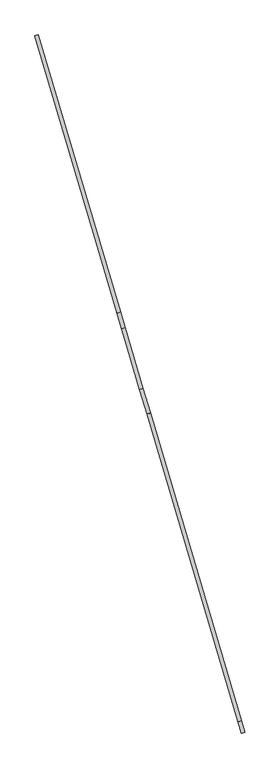
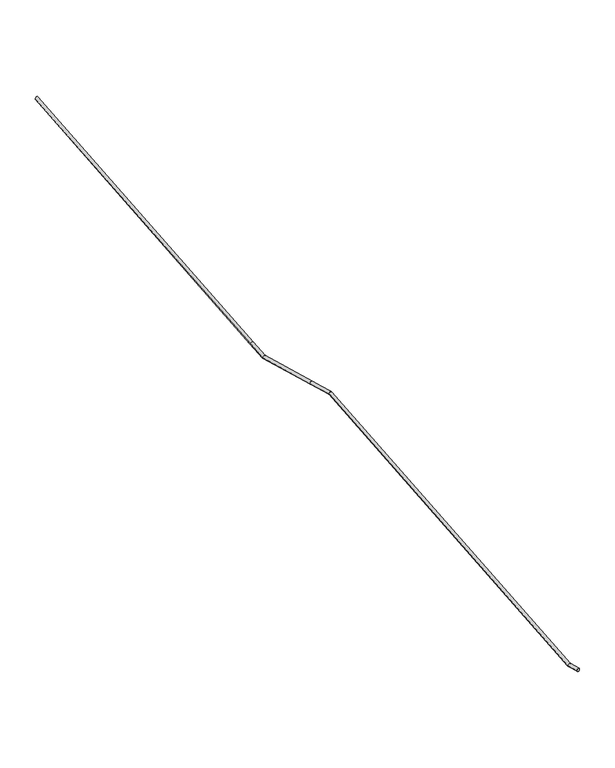
"""IFC4 building model written with IfcOpenShell, lengths in millimetres: railing geometry."""

from ifc_helpers import new_model, si_unit, frame, origin, place, context, project, spatial, circle_curve, ellipse_curve, source, transform, mapped, element, save
from ifc_brep_helpers import plane_surface, cylinder_surface, advanced_brep


def railing_02b645d8(model_context):
    return source(origin(), model_context, "Body", "AdvancedBrep", [
        advanced_brep(
        [(74499.9004952, -26385.1010607, -5374.75), (74461.5561191, -26396.4900387, -5374.75), (74460.9538852, -26253.975734, -5374.75), (74422.609509, -26265.364712, -5374.75), (73435.93266, -22802.9374287, -3480.625), (73397.5882839, -22814.3264068, -3480.625), (73355.3082048, -22531.491261, -3480.625), (73316.9638286, -22542.880239, -3480.625), (73151.2045419, -21844.3156773, -3480.625), (73112.8601658, -21855.7046553, -3480.625), (73099.0561994, -21668.7427983, -3384.2606743), (73060.7118233, -21680.1317764, -3384.2606743), (72176.5489803, -18562.8483329, -1679.5701336), (72138.2046042, -18574.2373109, -1679.5701336)],
        [
            (0, 1, circle_curve(frame((74480.7283071, -26390.7955497, -5374.75), z_axis=(0.28472445035473004, -0.9586094029218558, 0.0), x_axis=(-0.9586094029218558, -0.28472445035473004, 0.0)), 20.0)),
            (1, 0, circle_curve(frame((74480.7283071, -26390.7955497, -5374.75), z_axis=(0.28472445035473004, -0.9586094029218558, 0.0), x_axis=(-0.9586094029218558, -0.28472445035473004, 0.0)), 20.0)),
            (0, 2),
            (2, 3, ellipse_curve(frame((74441.7816971, -26259.670223, -5374.75), z_axis=(0.2764161712115046, -0.9306371142796906, -0.2398096366244323), x_axis=(0.06827966697762453, -0.22988377257946416, 0.9708199308739278)), 20.6011428, 20.0)),
            (3, 1),
            (3, 2, ellipse_curve(frame((74441.7816971, -26259.670223, -5374.75), z_axis=(0.2764161712115046, -0.9306371142796906, -0.2398096366244323), x_axis=(0.06827966697762453, -0.22988377257946416, 0.9708199308739278)), 20.6011428, 20.0)),
            (2, 4),
            (4, 5, ellipse_curve(frame((73416.760472, -22808.6319178, -3480.625), z_axis=(0.2764161712115139, -0.9306371142796879, -0.23980963662443236), x_axis=(-0.06827966697766252, 0.2298837725794536, -0.9708199308739276)), 20.6011428, 20.0)),
            (5, 3),
            (5, 4, ellipse_curve(frame((73416.760472, -22808.6319178, -3480.625), z_axis=(0.2764161712115139, -0.9306371142796879, -0.23980963662443236), x_axis=(-0.06827966697766252, 0.2298837725794536, -0.9708199308739276)), 20.6011428, 20.0)),
            (4, 6),
            (6, 7, circle_curve(frame((73336.1360167, -22537.18575, -3480.625), z_axis=(0.2847244503547482, -0.9586094029218505, 0.0), x_axis=(-0.9586094029218505, -0.2847244503547482, 0.0)), 20.0)),
            (7, 5),
            (7, 6, circle_curve(frame((73336.1360167, -22537.18575, -3480.625), z_axis=(0.2847244503547482, -0.9586094029218505, 0.0), x_axis=(-0.9586094029218505, -0.2847244503547482, 0.0)), 20.0)),
            (6, 8),
            (8, 9, ellipse_curve(frame((73132.0323539, -21850.0101663, -3480.625), z_axis=(0.2764161712114976, -0.9306371142796929, -0.23980963662443197), x_axis=(0.06827966697772347, -0.22988377257943393, 0.9708199308739278)), 20.6011428, 20.0)),
            (9, 7),
            (9, 8, ellipse_curve(frame((73132.0323539, -21850.0101663, -3480.625), z_axis=(0.2764161712114976, -0.9306371142796929, -0.23980963662443197), x_axis=(0.06827966697772347, -0.22988377257943393, 0.9708199308739278)), 20.6011428, 20.0)),
            (8, 10),
            (10, 11, circle_curve(frame((73079.8840114, -21674.4372873, -3384.2606743), z_axis=(0.25197620610121674, -0.8483527149855953, -0.4656239497012655), x_axis=(-0.95860940292186, -0.2847244503547158, 0.0)), 20.0)),
            (11, 9),
            (11, 10, circle_curve(frame((73079.8840114, -21674.4372873, -3384.2606743), z_axis=(0.25197620610121674, -0.8483527149855953, -0.4656239497012655), x_axis=(-0.95860940292186, -0.2847244503547158, 0.0)), 20.0)),
            (12, 13, ellipse_curve(frame((72157.3767922, -18568.5428219, -1679.5701336), z_axis=(-0.2847244503547501, 0.9586094029218498, 0.0), x_axis=(0.0, 0.0, -1.0)), 22.5993124, 20.0)),
            (13, 12, ellipse_curve(frame((72157.3767922, -18568.5428219, -1679.5701336), z_axis=(-0.2847244503547501, 0.9586094029218498, 0.0), x_axis=(0.0, 0.0, -1.0)), 22.5993124, 20.0)),
            (10, 12),
            (13, 11),
        ],
        [
            plane_surface(frame((74480.7283071, -26390.7955497, -5374.75), z_axis=(0.28472445035473004, -0.9586094029218558, 0.0), x_axis=(0.9586094029218558, 0.28472445035473004, 0.0))),
            cylinder_surface(frame((74480.7283071, -26390.7955497, -5374.75), z_axis=(0.28472445035473004, -0.9586094029218558, 0.0), x_axis=(-0.9586094029218558, -0.28472445035473004, 0.0)), 20.0),
            cylinder_surface(frame((74441.7816971, -26259.670223, -5374.75), z_axis=(0.2519762061012472, -0.8483527149855858, -0.46562394970126614), x_axis=(-0.9586094029218509, -0.2847244503547465, 0.0)), 20.0),
            cylinder_surface(frame((73416.760472, -22808.6319178, -3480.625), z_axis=(0.2847244503547482, -0.9586094029218505, 0.0), x_axis=(-0.9586094029218505, -0.2847244503547482, 0.0)), 20.0),
            cylinder_surface(frame((73336.1360167, -22537.18575, -3480.625), z_axis=(0.28472445035474697, -0.9586094029218507, 0.0), x_axis=(-0.9586094029218507, -0.28472445035474697, 0.0)), 20.0),
            cylinder_surface(frame((73132.0323539, -21850.0101663, -3480.625), z_axis=(0.25197620610121674, -0.8483527149855953, -0.4656239497012655), x_axis=(-0.95860940292186, -0.2847244503547158, 0.0)), 20.0),
            plane_surface(frame((72157.3767922, -18568.5428219, -1679.5701336), z_axis=(-0.2847244503547501, 0.9586094029218498, 0.0), x_axis=(0.9586094029218498, 0.2847244503547501, 0.0))),
            cylinder_surface(frame((73079.8840114, -21674.4372873, -3384.2606743), z_axis=(0.25197620610124866, -0.8483527149855851, -0.4656239497012664), x_axis=(-0.9586094029218516, -0.2847244503547442, 0.0)), 20.0),
        ],
        [
            (0, [[1, 2]]),
            (1, [[-1, 3, 4, 5]]),
            (1, [[-2, -5, 6, -3]]),
            (2, [[-4, 7, 8, 9]]),
            (2, [[-6, -9, 10, -7]]),
            (3, [[-8, 11, 12, 13]]),
            (3, [[-10, -13, 14, -11]]),
            (4, [[-12, 15, 16, 17]]),
            (4, [[-14, -17, 18, -15]]),
            (5, [[-16, 19, 20, 21]]),
            (5, [[-18, -21, 22, -19]]),
            (6, [[23, 24]]),
            (7, [[-20, 25, -24, 26]]),
            (7, [[-22, -26, -23, -25]]),
        ],
    ),
    ])


if __name__ == "__main__":
    model = new_model("IFC4")
    model_context = context("Model", 3, world=origin())
    ifc_project = project(units=[si_unit("LENGTHUNIT", "METRE", prefix="MILLI")], contexts=[model_context])
    site = spatial("IfcSite", under=ifc_project)
    building = spatial("IfcBuilding", under=site)
    placement = place(None, origin())
    railing_shape = railing_02b645d8(model_context)
    element("IfcRailing", 1, at=placement, inside=building, context=model_context, shape_type="MappedRepresentation", body=[
        mapped(railing_shape, transform((0.0, 0.0, 0.0), x_axis=(1.0, 0.0, 0.0), y_axis=(0.0, 1.0, 0.0), z_axis=(0.0, 0.0, 1.0))),
    ])
    save(model, "model.ifc")
